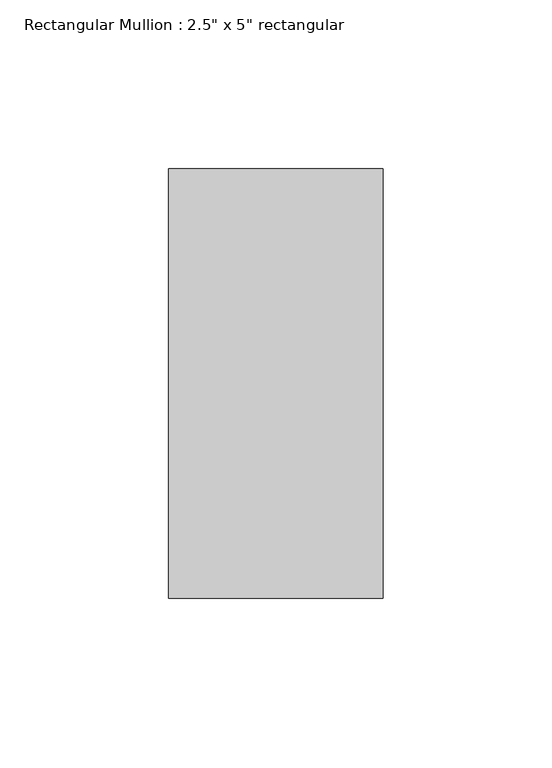
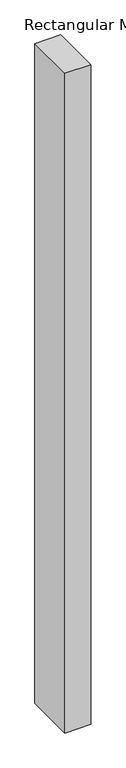
"""IFC4 building model written with IfcOpenShell, lengths in millimetres: member geometry."""

import ifcopenshell
import ifcopenshell.guid

model = None  # the IFC model being written
_history = None  # IfcOwnerHistory: only IFC2X3 demands one
_inside = {}  # id of a spatial element -> (the spatial element, [elements in it])
_under = {}  # id of a project, library or spatial element -> (it, [spatial elements below it])
_declared = {}  # id of a project -> (the project, [libraries it declares])
_typed = {}  # id of a type object -> (the type object, [elements of that type])
_made_of = {}  # id of a material, layer set ... -> (it, [elements and type objects made of it])


def new_model(schema):
    """Start an empty IFC model of exactly this schema.

    Asked for "IFC4X3", IfcOpenShell would pick the latest addendum, in which some entities
    have other attributes; the version numbers below select the first issue.
    IFC2X3 requires an IfcOwnerHistory on every rooted entity: one is made here for all.
    """
    global model, _history
    if schema == "IFC4X3":
        model = ifcopenshell.file(schema_version=(4, 3, 0, 0))
    else:
        model = ifcopenshell.file(schema=schema)
    _inside.clear()
    _under.clear()
    _declared.clear()
    _typed.clear()
    _made_of.clear()
    _history = None
    if model.schema == "IFC2X3":
        org = make("IfcOrganization", Name="unknown")
        user = make(
            "IfcPersonAndOrganization",
            ThePerson=make("IfcPerson", FamilyName="unknown"),
            TheOrganization=org,
        )
        app = make(
            "IfcApplication",
            ApplicationDeveloper=org,
            Version="unknown",
            ApplicationFullName="unknown",
            ApplicationIdentifier="unknown",
        )
        _history = make(
            "IfcOwnerHistory",
            OwningUser=user,
            OwningApplication=app,
            ChangeAction="ADDED",
            CreationDate=0,
        )
    return model


def make(cls, **values):
    """One entity of the class cls with the attributes given. An attribute that is None is left unset."""
    return model.create_entity(
        cls, **{name: value for name, value in values.items() if value is not None}
    )


def rooted(cls, **values):
    """An entity with a GlobalId (a new one), such as an element, a storey or a relation."""
    return make(cls, GlobalId=ifcopenshell.guid.new(), OwnerHistory=_history, **values)


def si_unit(unit_type, name, prefix=None):
    """IfcSIUnit, for example si_unit("LENGTHUNIT", "METRE", prefix="MILLI")."""
    return make("IfcSIUnit", UnitType=unit_type, Prefix=prefix, Name=name)


def assignment(units):
    """IfcUnitAssignment: the units of a project."""
    return None if units is None else make("IfcUnitAssignment", Units=units)


def point(xyz):
    """IfcCartesianPoint."""
    return None if xyz is None else make("IfcCartesianPoint", Coordinates=xyz)


def direction(xyz):
    """IfcDirection."""
    return None if xyz is None else make("IfcDirection", DirectionRatios=xyz)


def frame(location, z_axis=None, x_axis=None):
    """IfcAxis2Placement3D, a coordinate frame: its origin and axes. An axis left out is left unset."""
    return make(
        "IfcAxis2Placement3D",
        Location=point(location),
        Axis=direction(z_axis),
        RefDirection=direction(x_axis),
    )


def origin():
    """The frame at (0, 0, 0) with its axes left unset."""
    return frame((0.0, 0.0, 0.0))


def place(relative_to, where):
    """IfcLocalPlacement: puts the frame where relative to a parent placement (None: the world)."""
    return make(
        "IfcLocalPlacement", PlacementRelTo=relative_to, RelativePlacement=where
    )


def context(
    kind, dimensions, precision=None, world=None, true_north=None, identifier=None
):
    """IfcGeometricRepresentationContext, for example the 3D "Model" context."""
    return make(
        "IfcGeometricRepresentationContext",
        ContextIdentifier=identifier,
        ContextType=kind,
        CoordinateSpaceDimension=dimensions,
        Precision=precision,
        WorldCoordinateSystem=world,
        TrueNorth=true_north,
    )


def project(units=None, contexts=None):
    """IfcProject with its units and contexts."""
    return rooted(
        "IfcProject",
        Name="project",
        RepresentationContexts=contexts,
        UnitsInContext=assignment(units),
    )


def spatial(cls, under=None, at=None, **own):
    """A site, building, storey or space (cls), placed at a placement, below another one or the project."""
    s = rooted(cls, ObjectPlacement=at, **own)
    if under is not None:
        _under.setdefault(under.id(), (under, []))[1].append(s)
    return s


def polyline(points):
    """IfcPolyline through the points."""
    return make("IfcPolyline", Points=[point(p) for p in points])


def outline(outer, holes=None, kind="AREA"):
    """IfcArbitraryClosedProfileDef: a profile drawn as a closed curve; with holes, ...WithVoids."""
    if holes is None:
        return make("IfcArbitraryClosedProfileDef", ProfileType=kind, OuterCurve=outer)
    return make(
        "IfcArbitraryProfileDefWithVoids",
        ProfileType=kind,
        OuterCurve=outer,
        InnerCurves=holes,
    )


def extrude(swept, where, along, depth):
    """IfcExtrudedAreaSolid: the profile swept, set in the frame where, extruded along a direction by depth."""
    return make(
        "IfcExtrudedAreaSolid",
        SweptArea=swept,
        Position=where,
        ExtrudedDirection=direction(along),
        Depth=depth,
    )


def shape(context_of_items, identifier, shape_type, items):
    """IfcShapeRepresentation: the items that make up one representation, for example the "Body"."""
    return make(
        "IfcShapeRepresentation",
        ContextOfItems=context_of_items,
        RepresentationIdentifier=identifier,
        RepresentationType=shape_type,
        Items=items,
    )


def source(mapping_origin, context_of_items, identifier, shape_type, items):
    """IfcRepresentationMap: a shape defined once, which mapped items show again and again."""
    return make(
        "IfcRepresentationMap",
        MappingOrigin=mapping_origin,
        MappedRepresentation=shape(context_of_items, identifier, shape_type, items),
    )


def transform(
    local_origin,
    x_axis=None,
    y_axis=None,
    z_axis=None,
    scale=None,
    scale2=None,
    scale3=None,
    uniform=True,
):
    """IfcCartesianTransformationOperator3D, or its non-uniform kind. x_axis, y_axis, z_axis: its Axis1, 2, 3."""
    if uniform:
        return make(
            "IfcCartesianTransformationOperator3D",
            Axis1=direction(x_axis),
            Axis2=direction(y_axis),
            LocalOrigin=point(local_origin),
            Scale=scale,
            Axis3=direction(z_axis),
        )
    return make(
        "IfcCartesianTransformationOperator3DnonUniform",
        Axis1=direction(x_axis),
        Axis2=direction(y_axis),
        LocalOrigin=point(local_origin),
        Scale=scale,
        Axis3=direction(z_axis),
        Scale2=scale2,
        Scale3=scale3,
    )


def mapped(mapping_source, mapping_target):
    """IfcMappedItem: shows the shape of a source again, moved by a transform."""
    return make(
        "IfcMappedItem", MappingSource=mapping_source, MappingTarget=mapping_target
    )


def made_of(thing, what):
    """Note that an element or type object is made of a material, layer set ...; save() writes the relation."""
    if what is not None:
        _made_of.setdefault(what.id(), (what, []))[1].append(thing)
    return thing


def element(
    cls,
    number,
    at=None,
    inside=None,
    cuts=None,
    type_object=None,
    material=None,
    context=None,
    identifier="Body",
    shape_type=None,
    held_by="IfcProductDefinitionShape",
    body=None,
    shapes=None,
    **own,
):
    """One element of the class cls, such as IfcWall. Its Tag is "e" and its number.

    at: its placement. inside: the storey or other place that contains it. cuts: it is an
    opening in that element (IfcRelVoidsElement). A single representation is given by context,
    identifier, shape_type and body (its items); several are given by shapes. held_by: the class
    of the entity that holds the representations. save() writes the other relations.
    """
    e = rooted(cls, Tag="e%d" % number, ObjectPlacement=at, **own)
    if body is not None:
        shapes = [shape(context, identifier, shape_type, body)]
    if shapes is not None:
        e.Representation = make(held_by, Representations=shapes)
    if inside is not None:
        _inside.setdefault(inside.id(), (inside, []))[1].append(e)
    if cuts is not None:
        rooted(
            "IfcRelVoidsElement", RelatingBuildingElement=cuts, RelatedOpeningElement=e
        )
    if type_object is not None:
        _typed.setdefault(type_object.id(), (type_object, []))[1].append(e)
    return made_of(e, material)


def aggregate(whole, parts):
    """IfcRelAggregates: a whole, such as a stair, and the parts it consists of."""
    return rooted("IfcRelAggregates", RelatingObject=whole, RelatedObjects=parts)


def save(model, path):
    """Write the relations noted so far, then the file.

    IfcRelAggregates (storeys below a building ...), IfcRelContainedInSpatialStructure (elements
    in a storey), IfcRelDefinesByType, IfcRelAssociatesMaterial and IfcRelDeclares: one each for
    every whole, place, type object, material and project.
    """
    for whole, parts in _under.values():
        aggregate(whole, parts)
    for where, things in _inside.values():
        rooted(
            "IfcRelContainedInSpatialStructure",
            RelatedElements=things,
            RelatingStructure=where,
        )
    for kind, things in _typed.values():
        rooted("IfcRelDefinesByType", RelatedObjects=things, RelatingType=kind)
    for what, things in _made_of.values():
        rooted("IfcRelAssociatesMaterial", RelatedObjects=things, RelatingMaterial=what)
    for by, libraries in _declared.values():
        rooted("IfcRelDeclares", RelatingContext=by, RelatedDefinitions=libraries)
    model.write(path)


def member_7bc42366(model_context):
    return source(origin(), model_context, "Body", "SweptSolid", [
        extrude(outline(polyline([(0.0, 63.5), (0.0, -63.5), (-63.5, -63.5), (-63.5, 63.5), (0.0, 63.5)])), frame((0.0, 0.0, -1701.8), z_axis=(0.0, 0.0, 1.0), x_axis=(1.0, 0.0, 0.0)), (0.0, 0.0, 1.0), 1701.8),
    ])


if __name__ == "__main__":
    model = new_model("IFC4")
    model_context = context("Model", 3, world=origin())
    ifc_project = project(units=[si_unit("LENGTHUNIT", "METRE", prefix="MILLI")], contexts=[model_context])
    site = spatial("IfcSite", under=ifc_project)
    building = spatial("IfcBuilding", under=site)
    placement = place(None, origin())
    member_shape = member_7bc42366(model_context)
    element("IfcMember", 1, ObjectType="Rectangular Mullion : 2.5\" x 5\" rectangular", at=placement, inside=building, context=model_context, shape_type="MappedRepresentation", body=[
        mapped(member_shape, transform((0.0, 0.0, 0.0), x_axis=(1.0, 0.0, 0.0), y_axis=(0.0, 1.0, 0.0), z_axis=(0.0, 0.0, 1.0))),
    ])
    save(model, "model.ifc")
